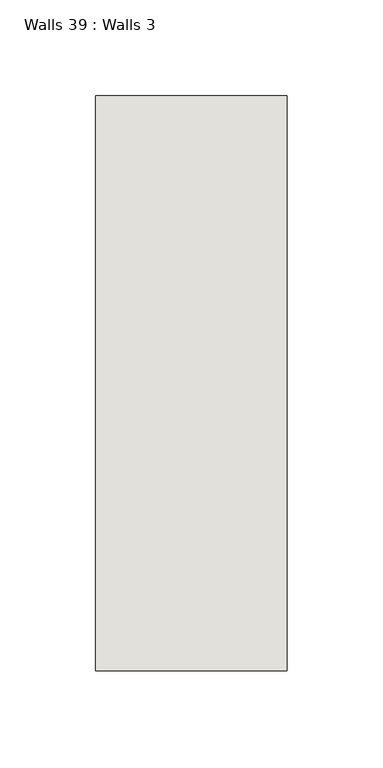
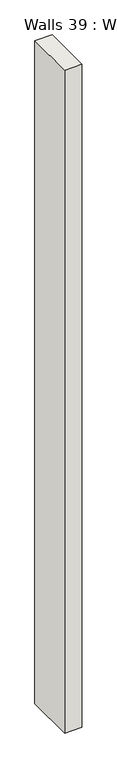
"""IFC4 building model written with IfcOpenShell, lengths in millimetres: wall geometry, Walls 39 : Walls 3."""

from ifc_helpers import new_model, si_unit, origin, origin_with_axes, place, context, project, spatial, polyline, outline, extrude, source, transform, mapped, element, save


def walls_39_walls_3_d9ac6ccb(model_context):
    return source(origin(), model_context, "Body", "SweptSolid", [
        extrude(outline(polyline([(-1412.3812655, 1518.41264), (-1412.3812655, 1818.41264), (-1312.3812655, 1818.41264), (-1312.3812655, 1518.41264), (-1412.3812655, 1518.41264)])), origin_with_axes(), (0.0, 0.0, 1.0), 4085.1192828),
    ])


if __name__ == "__main__":
    model = new_model("IFC4")
    model_context = context("Model", 3, world=origin())
    ifc_project = project(units=[si_unit("LENGTHUNIT", "METRE", prefix="MILLI")], contexts=[model_context])
    site = spatial("IfcSite", under=ifc_project)
    building = spatial("IfcBuilding", under=site)
    placement = place(None, origin())
    walls_39_walls_3_shape = walls_39_walls_3_d9ac6ccb(model_context)
    element("IfcWall", 1, ObjectType="Walls 39 : Walls 3", at=placement, inside=building, context=model_context, shape_type="MappedRepresentation", body=[
        mapped(walls_39_walls_3_shape, transform((0.0, 0.0, 0.0), x_axis=(1.0, 0.0, 0.0), y_axis=(0.0, 1.0, 0.0), z_axis=(0.0, 0.0, 1.0))),
    ])
    save(model, "model.ifc")
